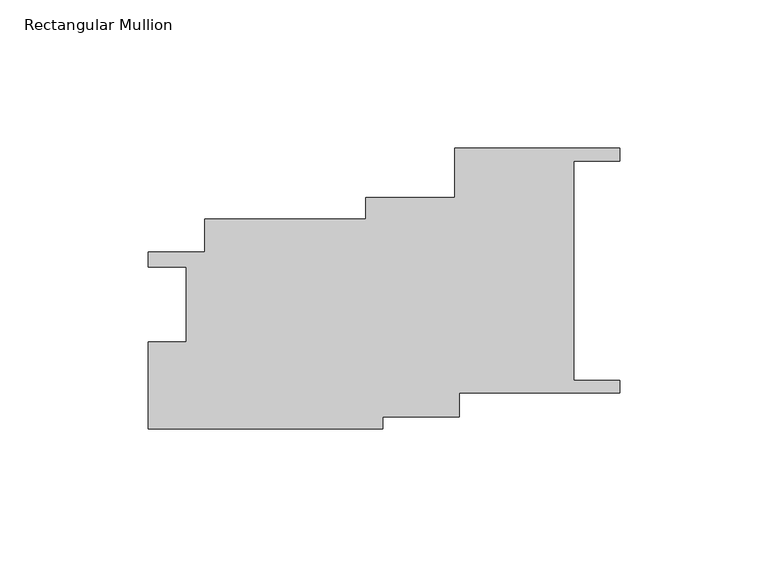
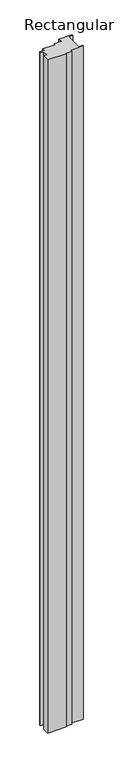
"""IFC4 building model written with IfcOpenShell, lengths in millimetres: member geometry, Rectangular Mullion."""

from ifc_helpers import new_model, si_unit, frame, origin, place, context, project, spatial, polyline, outline, extrude, source, transform, mapped, element, save


def rectangular_mullion_f31479c0(model_context):
    return source(origin(), model_context, "Body", "SweptSolid", [
        extrude(outline(polyline([(-55.5613469, 62.4091493), (0.0, 62.4091493), (0.0, 58.0912391), (-15.4144993, 58.0912391), (-15.4144993, -15.8181961), (0.0, -15.8181961), (0.0, -20.1361063), (-53.9201232, -20.1361063), (-53.9201232, -28.135929), (-79.7959127, -28.135929), (-79.7959127, -32.1547731), (-158.685823, -32.1547731), (-158.685823, -2.8443745), (-145.9965574, -2.8443745), (-145.9965574, 22.3074791), (-158.6962932, 22.3074791), (-158.6962932, 27.5143708), (-139.6466895, 27.5143708), (-139.6466895, 38.5377415), (-85.4930436, 38.5377415), (-85.4930436, 45.7744333), (-55.5613469, 45.7744333), (-55.5613469, 62.4091493)])), frame((0.0, 0.0, -3048.0), z_axis=(0.0, 0.0, 1.0), x_axis=(1.0, 0.0, 0.0)), (0.0, 0.0, 1.0), 3048.0),
    ])


if __name__ == "__main__":
    model = new_model("IFC4")
    model_context = context("Model", 3, world=origin())
    ifc_project = project(units=[si_unit("LENGTHUNIT", "METRE", prefix="MILLI")], contexts=[model_context])
    site = spatial("IfcSite", under=ifc_project)
    building = spatial("IfcBuilding", under=site)
    placement = place(None, origin())
    rectangular_mullion_shape = rectangular_mullion_f31479c0(model_context)
    element("IfcMember", 1, ObjectType="Rectangular Mullion", at=placement, inside=building, context=model_context, shape_type="MappedRepresentation", body=[
        mapped(rectangular_mullion_shape, transform((0.0, 0.0, 0.0), x_axis=(1.0, 0.0, 0.0), y_axis=(0.0, 1.0, 0.0), z_axis=(0.0, 0.0, 1.0))),
    ])
    save(model, "model.ifc")
